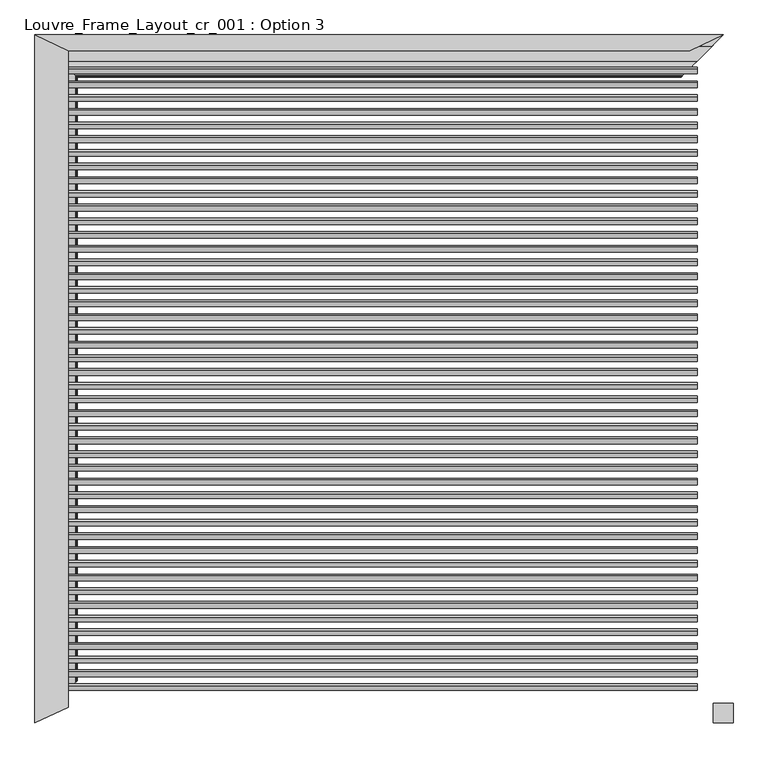
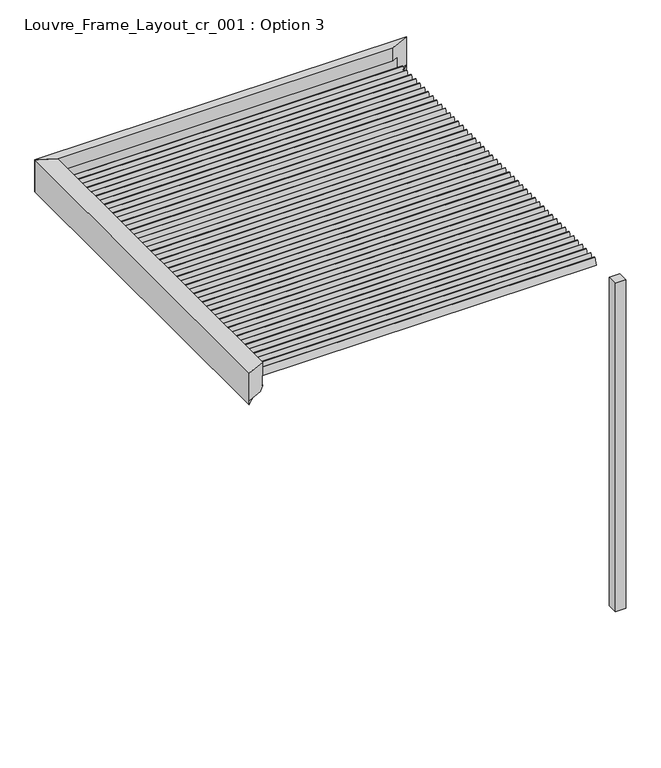
"""IFC4 building model written with IfcOpenShell, lengths in millimetres: proxy geometry, Louvre_Frame_Layout_cr_001 : Option 3."""

from ifc_helpers import new_model, si_unit, frame, origin, place, context, project, spatial, polyline, ellipse_curve, outline, extrude, source, transform, mapped, element, save
from ifc_brep_helpers import plane_surface, cylinder_surface, revolved_surface, advanced_brep


def louvre_frame_layout_cr_001_option_3_a6f6bd50(model_context):
    return source(origin(), model_context, "Body", "SolidModel", [
        extrude(outline(polyline([(50.0, -1760.0), (50.0, -1860.0), (-50.0, -1860.0), (-50.0, -1760.0), (50.0, -1760.0)])), frame((0.0, 0.0, -3270.0), z_axis=(0.0, 0.0, 1.0), x_axis=(1.0, 0.0, 0.0)), (0.0, 0.0, 1.0), 3270.0),
        extrude(outline(polyline([(0.0, 10.0), (3236.0, 10.0), (3236.0, 0.0), (0.0, 0.0), (0.0, 10.0)])), frame((-3368.0, -1624.9802792, 110.4249753), z_axis=(0.0, 0.3420201433256684, 0.9396926207859085), x_axis=(1.0, 0.0, 0.0)), (0.0, 0.0, 1.0), 70.0),
        extrude(outline(polyline([(0.0, 10.0), (3236.0, 10.0), (3236.0, 0.0), (0.0, 0.0), (0.0, 10.0)])), frame((-3368.0, -1555.2913903, 110.4249753), z_axis=(0.0, 0.3420201433256684, 0.9396926207859085), x_axis=(1.0, 0.0, 0.0)), (0.0, 0.0, 1.0), 70.0),
        extrude(outline(polyline([(0.0, 10.0000001), (3236.0, 10.0000001), (3236.0, 0.0), (0.0, 0.0), (0.0, 10.0000001)])), frame((-3368.0, -1485.6025015, 110.4249753), z_axis=(0.0, 0.3420201433256684, 0.9396926207859085), x_axis=(1.0, 0.0, 0.0)), (0.0, 0.0, 1.0), 70.0),
        extrude(outline(polyline([(0.0, 10.0), (3236.0, 10.0), (3236.0, 0.0), (0.0, 0.0), (0.0, 10.0)])), frame((-3368.0, -1415.9136126, 110.4249753), z_axis=(0.0, 0.3420201433256684, 0.9396926207859085), x_axis=(1.0, 0.0, 0.0)), (0.0, 0.0, 1.0), 70.0),
        extrude(outline(polyline([(0.0, 10.0), (3236.0, 10.0), (3236.0, 0.0), (0.0, 0.0), (0.0, 10.0)])), frame((-3368.0, -1346.2247237, 110.4249753), z_axis=(0.0, 0.3420201433256684, 0.9396926207859085), x_axis=(1.0, 0.0, 0.0)), (0.0, 0.0, 1.0), 70.0),
        extrude(outline(polyline([(0.0, 10.0), (3236.0, 10.0), (3236.0, 0.0), (0.0, 0.0), (0.0, 10.0)])), frame((-3368.0, -1276.5358348, 110.4249753), z_axis=(0.0, 0.3420201433256684, 0.9396926207859085), x_axis=(1.0, 0.0, 0.0)), (0.0, 0.0, 1.0), 70.0),
        extrude(outline(polyline([(0.0, 10.0), (3236.0, 10.0), (3236.0, 0.0), (0.0, 0.0), (0.0, 10.0)])), frame((-3368.0, -1206.8469459, 110.4249753), z_axis=(0.0, 0.3420201433256684, 0.9396926207859085), x_axis=(1.0, 0.0, 0.0)), (0.0, 0.0, 1.0), 70.0),
        extrude(outline(polyline([(0.0, 10.0), (3236.0, 10.0), (3236.0, 0.0), (0.0, 0.0), (0.0, 10.0)])), frame((-3368.0, -1137.158057, 110.4249753), z_axis=(0.0, 0.3420201433256684, 0.9396926207859085), x_axis=(1.0, 0.0, 0.0)), (0.0, 0.0, 1.0), 70.0),
        extrude(outline(polyline([(0.0, 10.0), (3236.0, 10.0), (3236.0, 0.0), (0.0, 0.0), (0.0, 10.0)])), frame((-3368.0, -1067.4691681, 110.4249753), z_axis=(0.0, 0.3420201433256684, 0.9396926207859085), x_axis=(1.0, 0.0, 0.0)), (0.0, 0.0, 1.0), 70.0),
        extrude(outline(polyline([(0.0, 10.0), (3236.0, 10.0), (3236.0, 0.0), (0.0, 0.0), (0.0, 10.0)])), frame((-3368.0, -997.7802792, 110.4249753), z_axis=(0.0, 0.3420201433256684, 0.9396926207859085), x_axis=(1.0, 0.0, 0.0)), (0.0, 0.0, 1.0), 70.0),
        extrude(outline(polyline([(0.0, 10.0), (3236.0, 10.0), (3236.0, 0.0), (0.0, 0.0), (0.0, 10.0)])), frame((-3368.0, -928.0913903, 110.4249753), z_axis=(0.0, 0.3420201433256684, 0.9396926207859085), x_axis=(1.0, 0.0, 0.0)), (0.0, 0.0, 1.0), 70.0),
        extrude(outline(polyline([(0.0, 10.0000001), (3236.0, 10.0000001), (3236.0, 0.0), (0.0, 0.0), (0.0, 10.0000001)])), frame((-3368.0, -858.4025015, 110.4249753), z_axis=(0.0, 0.3420201433256684, 0.9396926207859085), x_axis=(1.0, 0.0, 0.0)), (0.0, 0.0, 1.0), 70.0),
        extrude(outline(polyline([(0.0, 10.0), (3236.0, 10.0), (3236.0, 0.0), (0.0, 0.0), (0.0, 10.0)])), frame((-3368.0, -788.7136126, 110.4249753), z_axis=(0.0, 0.3420201433256684, 0.9396926207859085), x_axis=(1.0, 0.0, 0.0)), (0.0, 0.0, 1.0), 70.0),
        extrude(outline(polyline([(0.0, 10.0), (3236.0, 10.0), (3236.0, 0.0), (0.0, 0.0), (0.0, 10.0)])), frame((-3368.0, -719.0247237, 110.4249753), z_axis=(0.0, 0.3420201433256684, 0.9396926207859085), x_axis=(1.0, 0.0, 0.0)), (0.0, 0.0, 1.0), 70.0),
        extrude(outline(polyline([(0.0, 10.0), (3236.0, 10.0), (3236.0, 0.0), (0.0, 0.0), (0.0, 10.0)])), frame((-3368.0, -649.3358348, 110.4249753), z_axis=(0.0, 0.3420201433256684, 0.9396926207859085), x_axis=(1.0, 0.0, 0.0)), (0.0, 0.0, 1.0), 70.0),
        extrude(outline(polyline([(0.0, 10.0), (3236.0, 10.0), (3236.0, 0.0), (0.0, 0.0), (0.0, 10.0)])), frame((-3368.0, -579.6469459, 110.4249753), z_axis=(0.0, 0.3420201433256684, 0.9396926207859085), x_axis=(1.0, 0.0, 0.0)), (0.0, 0.0, 1.0), 70.0),
        extrude(outline(polyline([(0.0, 10.0), (3236.0, 10.0), (3236.0, 0.0), (0.0, 0.0), (0.0, 10.0)])), frame((-3368.0, -509.958057, 110.4249753), z_axis=(0.0, 0.3420201433256684, 0.9396926207859085), x_axis=(1.0, 0.0, 0.0)), (0.0, 0.0, 1.0), 70.0),
        extrude(outline(polyline([(0.0, 10.0), (3236.0, 10.0), (3236.0, 0.0), (0.0, 0.0), (0.0, 10.0)])), frame((-3368.0, -440.2691681, 110.4249753), z_axis=(0.0, 0.3420201433256684, 0.9396926207859085), x_axis=(1.0, 0.0, 0.0)), (0.0, 0.0, 1.0), 70.0),
        extrude(outline(polyline([(0.0, 10.0), (3236.0, 10.0), (3236.0, 0.0), (0.0, 0.0), (0.0, 10.0)])), frame((-3368.0, -370.5802792, 110.4249753), z_axis=(0.0, 0.3420201433256684, 0.9396926207859085), x_axis=(1.0, 0.0, 0.0)), (0.0, 0.0, 1.0), 70.0),
        extrude(outline(polyline([(0.0, 10.0), (3236.0, 10.0), (3236.0, 0.0), (0.0, 0.0), (0.0, 10.0)])), frame((-3368.0, -300.8913903, 110.4249753), z_axis=(0.0, 0.3420201433256684, 0.9396926207859085), x_axis=(1.0, 0.0, 0.0)), (0.0, 0.0, 1.0), 70.0),
        extrude(outline(polyline([(0.0, 10.0000001), (3236.0, 10.0000001), (3236.0, 0.0), (0.0, 0.0), (0.0, 10.0000001)])), frame((-3368.0, -231.2025015, 110.4249753), z_axis=(0.0, 0.3420201433256684, 0.9396926207859085), x_axis=(1.0, 0.0, 0.0)), (0.0, 0.0, 1.0), 70.0),
        extrude(outline(polyline([(0.0, 10.0), (3236.0, 10.0), (3236.0, 0.0), (0.0, 0.0), (0.0, 10.0)])), frame((-3368.0, -161.5136126, 110.4249753), z_axis=(0.0, 0.3420201433256684, 0.9396926207859085), x_axis=(1.0, 0.0, 0.0)), (0.0, 0.0, 1.0), 70.0),
        extrude(outline(polyline([(0.0, 10.0), (3236.0, 10.0), (3236.0, 0.0), (0.0, 0.0), (0.0, 10.0)])), frame((-3368.0, -91.8247237, 110.4249753), z_axis=(0.0, 0.3420201433256684, 0.9396926207859085), x_axis=(1.0, 0.0, 0.0)), (0.0, 0.0, 1.0), 70.0),
        extrude(outline(polyline([(0.0, 10.0), (3236.0, 10.0), (3236.0, 0.0), (0.0, 0.0), (0.0, 10.0)])), frame((-3368.0, -22.1358348, 110.4249753), z_axis=(0.0, 0.3420201433256684, 0.9396926207859085), x_axis=(1.0, 0.0, 0.0)), (0.0, 0.0, 1.0), 70.0),
        extrude(outline(polyline([(0.0, 10.0), (3236.0, 10.0), (3236.0, 0.0), (0.0, 0.0), (0.0, 10.0)])), frame((-3368.0, 47.5530541, 110.4249753), z_axis=(0.0, 0.3420201433256684, 0.9396926207859085), x_axis=(1.0, 0.0, 0.0)), (0.0, 0.0, 1.0), 70.0),
        extrude(outline(polyline([(0.0, 10.0), (3236.0, 10.0), (3236.0, 0.0), (0.0, 0.0), (0.0, 10.0)])), frame((-3368.0, 117.241943, 110.4249753), z_axis=(0.0, 0.3420201433256684, 0.9396926207859085), x_axis=(1.0, 0.0, 0.0)), (0.0, 0.0, 1.0), 70.0),
        extrude(outline(polyline([(0.0, 10.0), (3236.0, 10.0), (3236.0, 0.0), (0.0, 0.0), (0.0, 10.0)])), frame((-3368.0, 186.9308319, 110.4249753), z_axis=(0.0, 0.3420201433256684, 0.9396926207859085), x_axis=(1.0, 0.0, 0.0)), (0.0, 0.0, 1.0), 70.0),
        extrude(outline(polyline([(0.0, 10.0), (3236.0, 10.0), (3236.0, 0.0), (0.0, 0.0), (0.0, 10.0)])), frame((-3368.0, 256.6197208, 110.4249753), z_axis=(0.0, 0.3420201433256684, 0.9396926207859085), x_axis=(1.0, 0.0, 0.0)), (0.0, 0.0, 1.0), 70.0),
        extrude(outline(polyline([(0.0, 10.0), (3236.0, 10.0), (3236.0, 0.0), (0.0, 0.0), (0.0, 10.0)])), frame((-3368.0, 326.3086097, 110.4249753), z_axis=(0.0, 0.3420201433256684, 0.9396926207859085), x_axis=(1.0, 0.0, 0.0)), (0.0, 0.0, 1.0), 70.0),
        extrude(outline(polyline([(0.0, 10.0000001), (3236.0, 10.0000001), (3236.0, 0.0), (0.0, 0.0), (0.0, 10.0000001)])), frame((-3368.0, 395.9974985, 110.4249753), z_axis=(0.0, 0.3420201433256684, 0.9396926207859085), x_axis=(1.0, 0.0, 0.0)), (0.0, 0.0, 1.0), 70.0),
        extrude(outline(polyline([(0.0, 10.0), (3236.0, 10.0), (3236.0, 0.0), (0.0, 0.0), (0.0, 10.0)])), frame((-3368.0, 465.6863874, 110.4249753), z_axis=(0.0, 0.3420201433256684, 0.9396926207859085), x_axis=(1.0, 0.0, 0.0)), (0.0, 0.0, 1.0), 70.0),
        extrude(outline(polyline([(0.0, 10.0), (3236.0, 10.0), (3236.0, 0.0), (0.0, 0.0), (0.0, 10.0)])), frame((-3368.0, 535.3752763, 110.4249753), z_axis=(0.0, 0.3420201433256684, 0.9396926207859085), x_axis=(1.0, 0.0, 0.0)), (0.0, 0.0, 1.0), 70.0),
        extrude(outline(polyline([(0.0, 10.0), (3236.0, 10.0), (3236.0, 0.0), (0.0, 0.0), (0.0, 10.0)])), frame((-3368.0, 605.0641652, 110.4249753), z_axis=(0.0, 0.3420201433256684, 0.9396926207859085), x_axis=(1.0, 0.0, 0.0)), (0.0, 0.0, 1.0), 70.0),
        extrude(outline(polyline([(0.0, 10.0), (3236.0, 10.0), (3236.0, 0.0), (0.0, 0.0), (0.0, 10.0)])), frame((-3368.0, 674.7530541, 110.4249753), z_axis=(0.0, 0.3420201433256684, 0.9396926207859085), x_axis=(1.0, 0.0, 0.0)), (0.0, 0.0, 1.0), 70.0),
        extrude(outline(polyline([(0.0, 10.0), (3236.0, 10.0), (3236.0, 0.0), (0.0, 0.0), (0.0, 10.0)])), frame((-3368.0, 744.441943, 110.4249753), z_axis=(0.0, 0.3420201433256684, 0.9396926207859085), x_axis=(1.0, 0.0, 0.0)), (0.0, 0.0, 1.0), 70.0),
        extrude(outline(polyline([(0.0, 10.0), (3236.0, 10.0), (3236.0, 0.0), (0.0, 0.0), (0.0, 10.0)])), frame((-3368.0, 814.1308319, 110.4249753), z_axis=(0.0, 0.3420201433256684, 0.9396926207859085), x_axis=(1.0, 0.0, 0.0)), (0.0, 0.0, 1.0), 70.0),
        extrude(outline(polyline([(0.0, 10.0), (3236.0, 10.0), (3236.0, 0.0), (0.0, 0.0), (0.0, 10.0)])), frame((-3368.0, 883.8197208, 110.4249753), z_axis=(0.0, 0.3420201433256684, 0.9396926207859085), x_axis=(1.0, 0.0, 0.0)), (0.0, 0.0, 1.0), 70.0),
        extrude(outline(polyline([(0.0, 10.0), (3236.0, 10.0), (3236.0, 0.0), (0.0, 0.0), (0.0, 10.0)])), frame((-3368.0, 953.5086097, 110.4249753), z_axis=(0.0, 0.3420201433256684, 0.9396926207859085), x_axis=(1.0, 0.0, 0.0)), (0.0, 0.0, 1.0), 70.0),
        extrude(outline(polyline([(0.0, 10.0000001), (3236.0, 10.0000001), (3236.0, 0.0), (0.0, 0.0), (0.0, 10.0000001)])), frame((-3368.0, 1023.1974985, 110.4249753), z_axis=(0.0, 0.3420201433256684, 0.9396926207859085), x_axis=(1.0, 0.0, 0.0)), (0.0, 0.0, 1.0), 70.0),
        extrude(outline(polyline([(0.0, 10.0), (3236.0, 10.0), (3236.0, 0.0), (0.0, 0.0), (0.0, 10.0)])), frame((-3368.0, 1092.8863874, 110.4249753), z_axis=(0.0, 0.3420201433256684, 0.9396926207859085), x_axis=(1.0, 0.0, 0.0)), (0.0, 0.0, 1.0), 70.0),
        extrude(outline(polyline([(0.0, 10.0), (3236.0, 10.0), (3236.0, 0.0), (0.0, 0.0), (0.0, 10.0)])), frame((-3368.0, 1162.5752763, 110.4249753), z_axis=(0.0, 0.3420201433256684, 0.9396926207859085), x_axis=(1.0, 0.0, 0.0)), (0.0, 0.0, 1.0), 70.0),
        extrude(outline(polyline([(0.0, 10.0), (3236.0, 10.0), (3236.0, 0.0), (0.0, 0.0), (0.0, 10.0)])), frame((-3368.0, 1232.2641652, 110.4249753), z_axis=(0.0, 0.3420201433256684, 0.9396926207859085), x_axis=(1.0, 0.0, 0.0)), (0.0, 0.0, 1.0), 70.0),
        extrude(outline(polyline([(0.0, 10.0), (3236.0, 10.0), (3236.0, 0.0), (0.0, 0.0), (0.0, 10.0)])), frame((-3368.0, 1301.9530541, 110.4249753), z_axis=(0.0, 0.3420201433256684, 0.9396926207859085), x_axis=(1.0, 0.0, 0.0)), (0.0, 0.0, 1.0), 70.0),
        extrude(outline(polyline([(0.0, 10.0), (3236.0, 10.0), (3236.0, 0.0), (0.0, 0.0), (0.0, 10.0)])), frame((-3368.0, 1371.641943, 110.4249753), z_axis=(0.0, 0.3420201433256684, 0.9396926207859085), x_axis=(1.0, 0.0, 0.0)), (0.0, 0.0, 1.0), 70.0),
        extrude(outline(polyline([(0.0, 10.0), (3236.0, 10.0), (3236.0, 0.0), (0.0, 0.0), (0.0, 10.0)])), frame((-3368.0, -1694.6691681, 110.4249753), z_axis=(0.0, 0.3420201433256684, 0.9396926207859085), x_axis=(1.0, 0.0, 0.0)), (0.0, 0.0, 1.0), 70.0),
        extrude(outline(polyline([(0.0, 10.0), (3236.0, 10.0), (3236.0, 0.0), (0.0, 0.0), (0.0, 10.0)])), frame((-3368.0, 1441.3308319, 110.4249753), z_axis=(0.0, 0.3420201433256684, 0.9396926207859085), x_axis=(1.0, 0.0, 0.0)), (0.0, 0.0, 1.0), 70.0),
        advanced_brep(
        [(-3349.8942843, 1489.8942843, 0.0), (-3284.8218695, 1424.8218695, 26.1870213), (-3284.8218695, 1424.8218695, 39.3616238), (-3285.4888339, 1425.4888339, 40.0285881), (-3291.0621612, 1431.0621612, 40.0285881), (-3291.7291256, 1431.7291256, 39.3616238), (-3291.7291256, 1431.7291256, 25.5580129), (-3336.794989, 1476.794989, 7.4266447), (-3364.8199959, 1504.8199959, 2.0018958), (-3443.0005687, 1583.0005687, 2.0018958), (-3448.0054103, 1588.0054103, 7.0067374), (-3448.0054103, 1588.0054103, 36.2093165), (-3447.4216619, 1587.4216619, 36.793065), (-3444.7025891, 1584.7025891, 36.793065), (-3442.6996709, 1582.6996709, 38.7959832), (-3500.0, 1640.0, 38.8575344), (-3500.0, 1640.0, 0.0), (0.0, 1640.0, 0.0), (0.0, 1640.0, 38.8575344), (-57.2993831, 1582.7006169, 38.8575344), (-55.2974109, 1584.7025891, 36.793065), (-52.5783381, 1587.4216619, 36.793065), (-51.9945897, 1588.0054103, 36.2093165), (-51.9945897, 1588.0054103, 7.0067374), (-56.9994313, 1583.0005687, 2.0018958), (-135.1800041, 1504.8199959, 2.0018958), (-163.205011, 1476.794989, 7.4266447), (-208.2708744, 1431.7291256, 25.5580129), (-208.2708744, 1431.7291256, 39.3616238), (-208.9378388, 1431.0621612, 40.0285881), (-214.5111661, 1425.4888339, 40.0285881), (-215.1781305, 1424.8218695, 39.3616238), (-215.1781305, 1424.8218695, 26.1870213), (-150.1057157, 1489.8942843, 0.0), (-3378.3701643, 1582.7006169, 38.8575344), (-3378.3701643, 1582.6996709, 64.3212787), (-3382.6221378, 1584.7027935, 66.3244014), (-3388.3114217, 1587.3830392, 66.3244014), (-3389.6325118, 1588.0054103, 66.9467725), (-3389.6325118, 1588.0054103, 186.7535382), (-3330.2950263, 1560.0512704, 186.7535382), (-3330.2950263, 1560.0512704, 316.6276048), (-3500.0, 1640.0, 316.6276048), (-3500.0, 1640.0, 40.0285881), (-169.7049737, 1560.0512704, 316.6276048), (0.0, 1640.0, 316.6276048), (0.0, 1640.0, 40.0285881), (-121.6298357, 1582.7006169, 38.8575344), (-121.6298357, 1582.6996709, 64.3212787), (-117.3778622, 1584.7027935, 66.3244014), (-111.6885783, 1587.3830392, 66.3244014), (-110.3674882, 1588.0054103, 66.9467725), (-110.3674882, 1588.0054103, 186.7535382), (-169.7049737, 1560.0512704, 186.7535382)],
        [
            (0, 1),
            (1, 2),
            (2, 3, ellipse_curve(frame((-3285.4888339, 1425.4888339, 39.3616238), z_axis=(-0.7071067811865666, -0.7071067811865285, 0.0), x_axis=(0.7071067811865286, -0.7071067811865666, 0.0)), 0.94323, 0.6669644)),
            (3, 4),
            (4, 5, ellipse_curve(frame((-3291.0621612, 1431.0621612, 39.3616238), z_axis=(-0.7071067811865666, -0.7071067811865285, 0.0), x_axis=(0.7071067811865286, -0.7071067811865666, 0.0)), 0.94323, 0.6669644)),
            (5, 6),
            (6, 7),
            (7, 8, ellipse_curve(frame((-3364.8119854, 1504.8119854, 77.0634267), z_axis=(0.7071067811865666, 0.7071067811865285, 0.0), x_axis=(-0.7071067811865286, 0.7071067811865666, 0.0)), 106.1530357, 75.0615314)),
            (8, 9),
            (9, 10, ellipse_curve(frame((-3443.0005687, 1583.0005687, 7.0067374), z_axis=(0.7071067811865666, 0.7071067811865285, 0.0), x_axis=(-0.7071067811865286, 0.7071067811865666, 0.0)), 7.0779149, 5.0048416)),
            (10, 11),
            (11, 12, ellipse_curve(frame((-3447.4216619, 1587.4216619, 36.2093165), z_axis=(0.7071067811865666, 0.7071067811865285, 0.0), x_axis=(-0.7071067811865286, 0.7071067811865666, 0.0)), 0.825545, 0.5837485)),
            (12, 13),
            (13, 14, ellipse_curve(frame((-3444.7025891, 1584.7025891, 38.7959832), z_axis=(-0.7071067811865666, -0.7071067811865285, 0.0), x_axis=(0.7071067811865286, -0.7071067811865666, 0.0)), 2.832554, 2.0029182)),
            (14, 15),
            (15, 16),
            (16, 0),
            (17, 18),
            (18, 19),
            (19, 20, ellipse_curve(frame((-55.2974109, 1584.7025891, 38.7959832), z_axis=(0.7071067811865351, -0.7071067811865599, 0.0), x_axis=(0.7071067811865599, 0.7071067811865351, 0.0)), 2.832554, 2.0029182)),
            (20, 21),
            (21, 22, ellipse_curve(frame((-52.5783381, 1587.4216619, 36.2093165), z_axis=(-0.7071067811865351, 0.7071067811865599, 0.0), x_axis=(-0.7071067811865599, -0.7071067811865351, 0.0)), 0.825545, 0.5837485)),
            (22, 23),
            (23, 24, ellipse_curve(frame((-56.9994313, 1583.0005687, 7.0067374), z_axis=(-0.7071067811865351, 0.7071067811865599, 0.0), x_axis=(-0.7071067811865599, -0.7071067811865351, 0.0)), 7.0779149, 5.0048416)),
            (24, 25),
            (25, 26, ellipse_curve(frame((-135.1880146, 1504.8119854, 77.0634267), z_axis=(-0.7071067811865351, 0.7071067811865599, 0.0), x_axis=(-0.7071067811865599, -0.7071067811865351, 0.0)), 106.1530357, 75.0615314)),
            (26, 27),
            (27, 28),
            (28, 29, ellipse_curve(frame((-208.9378388, 1431.0621612, 39.3616238), z_axis=(0.7071067811865351, -0.7071067811865599, 0.0), x_axis=(0.7071067811865599, 0.7071067811865351, 0.0)), 0.94323, 0.6669644)),
            (29, 30),
            (30, 31, ellipse_curve(frame((-214.5111661, 1425.4888339, 39.3616238), z_axis=(0.7071067811865351, -0.7071067811865599, 0.0), x_axis=(0.7071067811865599, 0.7071067811865351, 0.0)), 0.94323, 0.6669644)),
            (31, 32),
            (32, 33),
            (33, 17),
            (14, 34),
            (34, 15),
            (34, 35),
            (35, 36, ellipse_curve(frame((-3382.6221378, 1584.7027935, 64.3212787), z_axis=(-0.426179151091085, -0.9046387849165446, 0.0), x_axis=(0.9046387849165445, -0.426179151091085, 0.0)), 4.7001892, 2.0031227)),
            (36, 37),
            (37, 38, ellipse_curve(frame((-3388.3114217, 1587.3830392, 66.9467725), z_axis=(0.426179151091085, 0.9046387849165446, 0.0), x_axis=(-0.9046387849165445, 0.426179151091085, 0.0)), 1.460351, 0.6223711)),
            (38, 39),
            (39, 40),
            (40, 41),
            (41, 42),
            (42, 43),
            (43, 15),
            (41, 44),
            (44, 45),
            (45, 42),
            (45, 46),
            (46, 18),
            (17, 16),
            (33, 0),
            (32, 1),
            (31, 2),
            (30, 3),
            (29, 4),
            (28, 5),
            (27, 6),
            (26, 7),
            (25, 8),
            (24, 9),
            (23, 10),
            (22, 11),
            (21, 12),
            (20, 13),
            (19, 47),
            (47, 34),
            (47, 48),
            (48, 35),
            (48, 49, ellipse_curve(frame((-117.3778622, 1584.7027935, 64.3212787), z_axis=(-0.4261791510912805, 0.9046387849164524, 0.0), x_axis=(0.9046387849164526, 0.4261791510912806, 0.0)), 4.7001892, 2.0031227)),
            (49, 36),
            (49, 50),
            (50, 37),
            (50, 51, ellipse_curve(frame((-111.6885783, 1587.3830392, 66.9467725), z_axis=(0.4261791510912805, -0.9046387849164524, 0.0), x_axis=(-0.9046387849164526, -0.4261791510912806, 0.0)), 1.460351, 0.6223711)),
            (51, 38),
            (51, 52),
            (52, 39),
            (52, 53),
            (53, 40),
            (53, 44),
            (18, 47),
        ],
        [
            plane_surface(frame((-3500.0, 1640.0, 40.0285881), z_axis=(-0.7071067811865666, -0.7071067811865285, 0.0), x_axis=(0.0, 0.0, -1.0))),
            plane_surface(frame((-258.0939751, 1381.9060249, 40.0285881), z_axis=(0.7071067811865351, -0.7071067811865599, 0.0), x_axis=(0.0, 0.0, -1.0))),
            plane_surface(frame((-3500.0, 1560.0512704, 38.8575344), z_axis=(0.0, 0.0, 1.0), x_axis=(1.0, 0.0, 0.0))),
            plane_surface(frame((-3500.0, 1640.0, 398.4370867), z_axis=(-0.426179151091085, -0.9046387849165446, 0.0), x_axis=(0.0, 0.0, -1.0))),
            plane_surface(frame((0.0, 1560.0512704, 316.6276048), z_axis=(0.0, 0.0, 1.0), x_axis=(-1.0, 0.0, 0.0))),
            plane_surface(frame((0.0, 1640.0, 316.6276048), z_axis=(0.0, 1.0, 0.0), x_axis=(-1.0, 0.0, 0.0))),
            plane_surface(frame((0.0, 1640.0, 0.0), z_axis=(0.0, 0.0, -1.0), x_axis=(-1.0, 0.0, 0.0))),
            plane_surface(frame((0.0, 1489.8942843, 0.0), z_axis=(0.0, -0.3733323631651337, -0.927697659053604), x_axis=(-1.0, 0.0, 0.0))),
            plane_surface(frame((0.0, 1424.8218695, 26.1870213), z_axis=(0.0, -1.0, 0.0), x_axis=(-1.0, 0.0, 0.0))),
            cylinder_surface(frame((0.0, 1425.4888339, 39.3616238), z_axis=(1.0, 0.0, 0.0), x_axis=(0.0, 1.0, 0.0)), 0.6669644),
            plane_surface(frame((0.0, 1425.4888339, 40.0285881), z_axis=(0.0, 0.0, 1.0), x_axis=(-1.0, 0.0, 0.0))),
            cylinder_surface(frame((0.0, 1431.0621612, 39.3616238), z_axis=(1.0, 0.0, 0.0), x_axis=(0.0, -1.0, 0.0)), 0.6669644),
            plane_surface(frame((0.0, 1431.7291256, 39.3616238), z_axis=(0.0, 1.0, 0.0), x_axis=(-1.0, 0.0, 0.0))),
            plane_surface(frame((0.0, 1431.7291256, 25.5580129), z_axis=(0.0, 0.37325372835204085, 0.9277293001039155), x_axis=(-1.0, 0.0, 0.0))),
            revolved_surface(polyline([(-3439.873516787006, 1429.750454, 77.0634267), (-60.12648321299102, 1429.750454, 77.0634267)]), (0.0, 1504.8119854, 77.0634267), (-1.0, 0.0, 0.0)),
            plane_surface(frame((0.0, 1504.8199959, 2.0018958), z_axis=(0.0, 0.0, 1.0), x_axis=(-1.0, 0.0, 0.0))),
            revolved_surface(polyline([(-3448.005410322451, 1577.9957271, 7.0067374), (-51.9945896775486, 1577.9957271, 7.0067374)]), (0.0, 1583.0005687, 7.0067374), (-1.0, 0.0, 0.0)),
            plane_surface(frame((0.0, 1588.0054103, 7.0067374), z_axis=(0.0, -1.0, 0.0), x_axis=(-1.0, 0.0, 0.0))),
            revolved_surface(polyline([(-3448.0054103676744, 1586.8379134, 36.2093165), (-51.994589632325344, 1586.8379134, 36.2093165)]), (0.0, 1587.4216619, 36.2093165), (-1.0, 0.0, 0.0)),
            plane_surface(frame((0.0, 1587.4216619, 36.793065), z_axis=(0.0, 0.0, -1.0), x_axis=(-1.0, 0.0, 0.0))),
            cylinder_surface(frame((0.0, 1584.7025891, 38.7959832), z_axis=(1.0, 0.0, 0.0), x_axis=(0.0, -1.0, 0.0)), 2.0029182),
            plane_surface(frame((0.0, 1582.6996709, 38.7959832), z_axis=(0.0, -1.0, 0.0), x_axis=(-1.0, 0.0, 0.0))),
            cylinder_surface(frame((0.0, 1584.7027935, 64.3212787), z_axis=(1.0, 0.0, 0.0), x_axis=(0.0, -1.0, 0.0)), 2.0031227),
            plane_surface(frame((0.0, 1584.7027935, 66.3244014), z_axis=(0.0, 0.0, 1.0), x_axis=(-1.0, 0.0, 0.0))),
            revolved_surface(polyline([(-3389.6325118541918, 1586.7606681, 66.9467725), (-110.36748814580848, 1586.7606681, 66.9467725)]), (0.0, 1587.3830392, 66.9467725), (-1.0, 0.0, 0.0)),
            plane_surface(frame((0.0, 1588.0054103, 66.9467725), z_axis=(0.0, -1.0, 0.0), x_axis=(-1.0, 0.0, 0.0))),
            plane_surface(frame((0.0, 1588.0054103, 186.7535382), z_axis=(0.0, 0.0, -1.0), x_axis=(-1.0, 0.0, 0.0))),
            plane_surface(frame((0.0, 1560.0512704, 186.7535382), z_axis=(0.0, -1.0, 0.0), x_axis=(-1.0, 0.0, 0.0))),
            plane_surface(frame((0.0, 1640.0, 38.8575344), z_axis=(0.0, 0.0, 1.0), x_axis=(-0.9046387849164524, -0.4261791510912805, 0.0))),
            plane_surface(frame((-169.7049737, 1560.0512704, 398.4370867), z_axis=(0.4261791510912805, -0.9046387849164524, 0.0), x_axis=(0.0, 0.0, -1.0))),
        ],
        [
            (0, [[1, 2, 3, 4, 5, 6, 7, 8, 9, 10, 11, 12, 13, 14, 15, 16, 17]]),
            (1, [[18, 19, 20, 21, 22, 23, 24, 25, 26, 27, 28, 29, 30, 31, 32, 33, 34]]),
            (2, [[-15, 35, 36]]),
            (3, [[37, 38, 39, 40, 41, 42, 43, 44, 45, 46, -36]]),
            (4, [[-44, 47, 48, 49]]),
            (5, [[50, 51, -18, 52, -16, -46, -45, -49]]),
            (6, [[-34, 53, -17, -52]]),
            (7, [[-53, -33, 54, -1]]),
            (8, [[-54, -32, 55, -2]]),
            (9, [[-55, -31, 56, -3]]),
            (10, [[-56, -30, 57, -4]]),
            (11, [[-57, -29, 58, -5]]),
            (12, [[-58, -28, 59, -6]]),
            (13, [[-59, -27, 60, -7]]),
            (14, [[-60, -26, 61, -8]]),
            (15, [[-61, -25, 62, -9]]),
            (16, [[-62, -24, 63, -10]]),
            (17, [[-63, -23, 64, -11]]),
            (18, [[-64, -22, 65, -12]]),
            (19, [[-65, -21, 66, -13]]),
            (20, [[-66, -20, 67, 68, -35, -14]]),
            (21, [[-68, 69, 70, -37]]),
            (22, [[-70, 71, 72, -38]]),
            (23, [[-72, 73, 74, -39]]),
            (24, [[-74, 75, 76, -40]]),
            (25, [[-76, 77, 78, -41]]),
            (26, [[-78, 79, 80, -42]]),
            (27, [[-80, 81, -47, -43]]),
            (28, [[-67, -19, 82]]),
            (29, [[-51, -50, -48, -81, -79, -77, -75, -73, -71, -69, -82]]),
        ],
    ),
        advanced_brep(
        [(-3500.0, -1860.0, 40.0285881), (-3500.0, -1860.0, 36.793065), (-3500.0, -1860.0, 0.0), (-3349.8942843, -1709.9379038, 0.0), (-3285.3886853, -1645.4510496, 25.9589183), (-3284.8218695, -1644.8843985, 26.5150991), (-3284.8218695, -1644.8843985, 39.3616238), (-3285.4888339, -1645.5511691, 40.0285881), (-3291.0621612, -1651.1228768, 40.0285881), (-3291.7291256, -1651.7896474, 39.3616238), (-3291.7291256, -1651.7896474, 25.5580129), (-3336.794989, -1696.842415, 7.4266447), (-3364.8199959, -1724.8592781, 2.0018958), (-3443.0005687, -1803.0171323, 2.0018958), (-3448.0054103, -1808.0205195, 7.0067374), (-3448.0054103, -1808.0205195, 30.0771301), (-3437.2798539, -1797.2980799, 30.0771301), (-3437.2798539, -1797.2980799, 37.2197882), (-3435.6421077, -1795.6608096, 38.8575344), (-3357.499356, -1717.5407655, 38.8575344), (-3354.7049082, -1714.7471297, 40.0285881), (-3354.7049082, 1494.7471297, 40.0285881), (-3357.499356, 1497.5407655, 38.8575344), (-3435.6421077, 1575.6608096, 38.8575344), (-3437.2798539, 1577.2980799, 37.2197882), (-3437.2798539, 1577.2980799, 30.0771301), (-3448.0054103, 1588.0205195, 30.0771301), (-3448.0054103, 1588.0205195, 7.0067374), (-3443.0005687, 1583.0171323, 2.0018958), (-3364.8199959, 1504.8592781, 2.0018958), (-3336.794989, 1476.842415, 7.4266447), (-3291.7291256, 1431.7896474, 25.5580129), (-3291.7291256, 1431.7896474, 39.3616238), (-3291.0621612, 1431.1228768, 40.0285881), (-3285.4888339, 1425.5511691, 40.0285881), (-3284.8218695, 1424.8843985, 39.3616238), (-3284.8218695, 1424.8843985, 26.5150991), (-3285.3886853, 1425.4510496, 25.9589183), (-3349.8942843, 1489.9379038, 0.0), (-3500.0, 1640.0, 0.0), (-3500.0, 1640.0, 36.793065), (-3500.0, 1640.0, 40.0285881), (-3330.2950263, 1560.0512704, 186.2985422), (-3336.7193678, 1563.0778048, 186.2985422), (-3336.7193678, 1563.0778048, 88.3970766), (-3330.3018549, 1560.0544873, 88.3970766), (-3330.3018549, 1560.0544873, 79.2796958), (-3352.0673551, 1570.3083064, 42.7736155), (-3354.7049082, 1571.5508688, 40.0285881), (-3500.0, 1640.0, 315.1230176), (-3330.2950263, 1560.0512704, 315.1230176), (-3354.7049082, -1791.5508688, 40.0285881), (-3330.2950263, -1780.0512704, 315.1230176), (-3330.2950263, -1780.0512704, 186.2985422), (-3336.7193678, -1783.0778048, 186.2985422), (-3336.7193678, -1783.0778048, 88.3970766), (-3330.3018549, -1780.0544873, 88.3970766), (-3330.3018549, -1780.0544873, 79.2796958), (-3352.0673551, -1790.3083064, 42.7736155), (-3500.0, -1860.0, 315.1230176)],
        [
            (0, 1),
            (1, 2),
            (2, 3),
            (3, 4),
            (4, 5, ellipse_curve(frame((-3285.7754513, -1645.8377032, 26.9199973), z_axis=(0.7070040190667776, -0.7072095283743168, 0.0), x_axis=(-0.7072095283743168, -0.7070040190667775, 0.0)), 1.4648884, 1.035983)),
            (5, 6),
            (6, 7, ellipse_curve(frame((-3285.4888339, -1645.5511691, 39.3616238), z_axis=(0.7070040190667776, -0.7072095283743168, 0.0), x_axis=(-0.7072095283743168, -0.7070040190667775, 0.0)), 0.943093, 0.6669644)),
            (7, 8),
            (8, 9, ellipse_curve(frame((-3291.0621612, -1651.1228768, 39.3616238), z_axis=(0.7070040190667776, -0.7072095283743168, 0.0), x_axis=(-0.7072095283743168, -0.7070040190667775, 0.0)), 0.943093, 0.6669644)),
            (9, 10),
            (10, 11),
            (11, 12, ellipse_curve(frame((-3364.8119854, -1724.85127, 77.0634267), z_axis=(-0.7070040190667776, 0.7072095283743168, 0.0), x_axis=(0.7072095283743168, 0.7070040190667775, 0.0)), 106.1376132, 75.0615314)),
            (12, 13),
            (13, 14, ellipse_curve(frame((-3443.0005687, -1803.0171323, 7.0067374), z_axis=(-0.7070040190667776, 0.7072095283743168, 0.0), x_axis=(0.7072095283743168, 0.7070040190667775, 0.0)), 7.0768866, 5.0048416)),
            (14, 15),
            (15, 16),
            (16, 17),
            (17, 18, ellipse_curve(frame((-3435.6421077, -1795.6608096, 37.2197882), z_axis=(-0.7070040190667776, 0.7072095283743168, 0.0), x_axis=(0.7072095283743168, 0.7070040190667775, 0.0)), 2.3157864, 1.6377462)),
            (18, 19),
            (19, 20, ellipse_curve(frame((-3359.3065931, -1719.3474774, 47.0897633), z_axis=(0.7070040190667776, -0.7072095283743168, 0.0), x_axis=(-0.7072095283743168, -0.7070040190667775, 0.0)), 11.917639, 8.4282679)),
            (20, 0),
            (21, 22, ellipse_curve(frame((-3359.3065931, 1499.3474775, 47.0897633), z_axis=(0.707004019064737, 0.707209528376357, 0.0), x_axis=(0.707209528376357, -0.7070040190647368, 0.0)), 11.917639, 8.4282679)),
            (22, 23),
            (23, 24, ellipse_curve(frame((-3435.6421077, 1575.6608096, 37.2197882), z_axis=(-0.707004019064737, -0.707209528376357, 0.0), x_axis=(-0.707209528376357, 0.7070040190647368, 0.0)), 2.3157864, 1.6377462)),
            (24, 25),
            (25, 26),
            (26, 27),
            (27, 28, ellipse_curve(frame((-3443.0005687, 1583.0171323, 7.0067374), z_axis=(-0.707004019064737, -0.707209528376357, 0.0), x_axis=(-0.707209528376357, 0.7070040190647368, 0.0)), 7.0768866, 5.0048416)),
            (28, 29),
            (29, 30, ellipse_curve(frame((-3364.8119854, 1504.85127, 77.0634267), z_axis=(-0.707004019064737, -0.707209528376357, 0.0), x_axis=(-0.707209528376357, 0.7070040190647368, 0.0)), 106.1376132, 75.0615314)),
            (30, 31),
            (31, 32),
            (32, 33, ellipse_curve(frame((-3291.0621612, 1431.1228768, 39.3616238), z_axis=(0.707004019064737, 0.707209528376357, 0.0), x_axis=(0.707209528376357, -0.7070040190647368, 0.0)), 0.943093, 0.6669644)),
            (33, 34),
            (34, 35, ellipse_curve(frame((-3285.4888339, 1425.5511691, 39.3616238), z_axis=(0.707004019064737, 0.707209528376357, 0.0), x_axis=(0.707209528376357, -0.7070040190647368, 0.0)), 0.943093, 0.6669644)),
            (35, 36),
            (36, 37, ellipse_curve(frame((-3285.7754513, 1425.8377032, 26.9199973), z_axis=(0.707004019064737, 0.707209528376357, 0.0), x_axis=(0.707209528376357, -0.7070040190647368, 0.0)), 1.4648884, 1.035983)),
            (37, 38),
            (38, 39),
            (39, 40),
            (40, 41),
            (41, 21),
            (42, 43),
            (43, 44),
            (44, 45),
            (45, 46),
            (46, 47),
            (47, 48, ellipse_curve(frame((-3359.3065931, 1573.718742, 47.0897633), z_axis=(0.42617915109108384, 0.9046387849165451, 0.0), x_axis=(0.9046387849165451, -0.42617915109108356, 0.0)), 9.3167218, 8.4282679)),
            (48, 41),
            (41, 49),
            (49, 50),
            (50, 42),
            (20, 51),
            (51, 0),
            (48, 21),
            (50, 52),
            (52, 53),
            (53, 42),
            (53, 54),
            (54, 43),
            (54, 55),
            (55, 44),
            (55, 56),
            (56, 45),
            (56, 57),
            (57, 46),
            (57, 58),
            (58, 47),
            (19, 22),
            (58, 51, ellipse_curve(frame((-3359.3065931, -1793.718742, 47.0897633), z_axis=(-0.42617915109110643, 0.9046387849165345, 0.0), x_axis=(-0.9046387849165346, -0.42617915109110627, 0.0)), 9.3167218, 8.4282679)),
            (18, 23),
            (17, 24),
            (16, 25),
            (15, 26),
            (14, 27),
            (13, 28),
            (12, 29),
            (11, 30),
            (10, 31),
            (9, 32),
            (8, 33),
            (7, 34),
            (6, 35),
            (5, 36),
            (4, 37),
            (3, 38),
            (2, 39),
            (0, 59),
            (59, 49),
            (59, 52),
        ],
        [
            plane_surface(frame((-3500.0, -1860.0, 40.0285881), z_axis=(0.7070040190667776, -0.7072095283743168, 0.0), x_axis=(0.0, 0.0, -1.0))),
            plane_surface(frame((-3241.9060249, 1381.9810249, 40.0285881), z_axis=(0.707004019064737, 0.707209528376357, 0.0), x_axis=(0.0, 0.0, -1.0))),
            plane_surface(frame((-3330.2950263, 1560.0512704, 355.5911694), z_axis=(0.42617915109108384, 0.9046387849165451, 0.0), x_axis=(0.0, 0.0, -1.0))),
            plane_surface(frame((-3241.9060249, -1601.9810249, 40.0285881), z_axis=(0.0, 0.0, -1.0), x_axis=(0.0, -1.0, 0.0))),
            plane_surface(frame((-3500.0, 1640.0, 40.0285881), z_axis=(0.0, 0.0, -1.0000000000000002), x_axis=(-0.707209528376357, 0.707004019064737, 0.0))),
            plane_surface(frame((-3330.2950263, -1860.0, 315.1230176), z_axis=(1.0, 0.0, 0.0), x_axis=(0.0, 1.0, 0.0))),
            plane_surface(frame((-3330.2950263, -1860.0, 186.2985422), z_axis=(0.0, 0.0, -1.0), x_axis=(0.0, 1.0, 0.0))),
            plane_surface(frame((-3336.7193678, -1860.0, 186.2985422), z_axis=(1.0, 0.0, 0.0), x_axis=(0.0, 1.0, 0.0))),
            plane_surface(frame((-3336.7193678, -1860.0, 88.3970766), z_axis=(0.0, 0.0, 1.0), x_axis=(0.0, 1.0, 0.0))),
            plane_surface(frame((-3330.3018549, -1860.0, 88.3970766), z_axis=(1.0, 0.0, 0.0), x_axis=(0.0, 1.0, 0.0))),
            plane_surface(frame((-3330.3018549, -1860.0, 79.2796958), z_axis=(0.8589235852565517, 0.0, -0.5121037733604697), x_axis=(0.0, 1.0, 0.0))),
            cylinder_surface(frame((-3359.3065931, -1860.0, 47.0897633), z_axis=(0.0, -1.0, 0.0), x_axis=(1.0, 0.0, 0.0)), 8.4282679),
            plane_surface(frame((-3357.499356, -1860.0, 38.8575344), z_axis=(0.0, 0.0, -1.0), x_axis=(0.0, 1.0, 0.0))),
            revolved_surface(polyline([(-3434.0043615, 1577.2980798999997, 37.2197882), (-3434.0043615, -1797.2980799, 37.2197882)]), (-3435.6421077, -1860.0, 37.2197882), (0.0, 1.0, 0.0)),
            plane_surface(frame((-3437.2798539, -1860.0, 37.2197882), z_axis=(1.0, 0.0, 0.0), x_axis=(0.0, 1.0, 0.0))),
            plane_surface(frame((-3437.2798539, -1860.0, 30.0771301), z_axis=(0.0, 0.0, -1.0), x_axis=(0.0, 1.0, 0.0))),
            plane_surface(frame((-3448.0054103, -1860.0, 30.0771301), z_axis=(1.0, 0.0, 0.0), x_axis=(0.0, 1.0, 0.0))),
            revolved_surface(polyline([(-3437.9957271, 1588.0205195686653, 7.0067374), (-3437.9957271, -1808.0205195686797, 7.0067374)]), (-3443.0005687, -1860.0, 7.0067374), (0.0, 1.0, 0.0)),
            plane_surface(frame((-3443.0005687, -1860.0, 2.0018958), z_axis=(0.0, 0.0, 1.0), x_axis=(0.0, 1.0, 0.0))),
            revolved_surface(polyline([(-3289.750454, 1579.8909891063386, 77.0634267), (-3289.750454, -1799.8909891065553, 77.0634267)]), (-3364.8119854, -1860.0, 77.0634267), (0.0, 1.0, 0.0)),
            plane_surface(frame((-3336.794989, -1860.0, 7.4266447), z_axis=(-0.37325372835204107, 0.0, 0.9277293001039154), x_axis=(0.0, 1.0, 0.0))),
            plane_surface(frame((-3291.7291256, -1860.0, 25.5580129), z_axis=(-1.0, 0.0, 0.0), x_axis=(0.0, 1.0, 0.0))),
            cylinder_surface(frame((-3291.0621612, -1860.0, 39.3616238), z_axis=(0.0, -1.0, 0.0), x_axis=(1.0, 0.0, 0.0)), 0.6669644),
            plane_surface(frame((-3291.0621612, -1860.0, 40.0285881), z_axis=(0.0, 0.0, 1.0), x_axis=(0.0, 1.0, 0.0))),
            cylinder_surface(frame((-3285.4888339, -1860.0, 39.3616238), z_axis=(0.0, -1.0, 0.0), x_axis=(-1.0, 0.0, 0.0)), 0.6669644),
            plane_surface(frame((-3284.8218695, -1860.0, 39.3616238), z_axis=(1.0, 0.0, 0.0), x_axis=(0.0, 1.0, 0.0))),
            cylinder_surface(frame((-3285.7754513, -1860.0, 26.9199973), z_axis=(0.0, -1.0, 0.0), x_axis=(1.0, 0.0, 0.0)), 1.035983),
            plane_surface(frame((-3285.3886853, -1860.0, 25.9589183), z_axis=(0.3733323631651337, 0.0, -0.9276976590536039), x_axis=(0.0, 1.0, 0.0))),
            plane_surface(frame((-3349.8942843, -1860.0, 0.0), z_axis=(0.0, 0.0, -1.0), x_axis=(0.0, 1.0, 0.0))),
            plane_surface(frame((-3500.0, -1860.0, 0.0), z_axis=(-1.0, 0.0, 0.0), x_axis=(0.0, 1.0, 0.0))),
            plane_surface(frame((-3500.0, -1860.0, 315.1230176), z_axis=(0.0, 0.0, 1.0), x_axis=(0.0, 1.0, 0.0))),
            plane_surface(frame((-3500.0, -1860.0, 355.5911694), z_axis=(0.42617915109110643, -0.9046387849165345, 0.0), x_axis=(0.0, 0.0, -1.0))),
        ],
        [
            (0, [[1, 2, 3, 4, 5, 6, 7, 8, 9, 10, 11, 12, 13, 14, 15, 16, 17, 18, 19, 20, 21]]),
            (1, [[22, 23, 24, 25, 26, 27, 28, 29, 30, 31, 32, 33, 34, 35, 36, 37, 38, 39, 40, 41, 42]]),
            (2, [[43, 44, 45, 46, 47, 48, 49, 50, 51, 52]]),
            (3, [[53, 54, -21]]),
            (4, [[-49, 55, -42]]),
            (5, [[56, 57, 58, -52]]),
            (6, [[-58, 59, 60, -43]]),
            (7, [[-60, 61, 62, -44]]),
            (8, [[-62, 63, 64, -45]]),
            (9, [[-64, 65, 66, -46]]),
            (10, [[-66, 67, 68, -47]]),
            (11, [[69, -22, -55, -48, -68, 70, -53, -20]]),
            (12, [[71, -23, -69, -19]]),
            (13, [[72, -24, -71, -18]]),
            (14, [[73, -25, -72, -17]]),
            (15, [[74, -26, -73, -16]]),
            (16, [[75, -27, -74, -15]]),
            (17, [[76, -28, -75, -14]]),
            (18, [[77, -29, -76, -13]]),
            (19, [[78, -30, -77, -12]]),
            (20, [[79, -31, -78, -11]]),
            (21, [[80, -32, -79, -10]]),
            (22, [[81, -33, -80, -9]]),
            (23, [[82, -34, -81, -8]]),
            (24, [[83, -35, -82, -7]]),
            (25, [[84, -36, -83, -6]]),
            (26, [[85, -37, -84, -5]]),
            (27, [[86, -38, -85, -4]]),
            (28, [[-39, -86, -3, 87]]),
            (29, [[-2, -1, 88, 89, -50, -41, -40, -87]]),
            (30, [[90, -56, -51, -89]]),
            (31, [[-90, -88, -54, -70, -67, -65, -63, -61, -59, -57]]),
        ],
    ),
    ])


if __name__ == "__main__":
    model = new_model("IFC4")
    model_context = context("Model", 3, world=origin())
    ifc_project = project(units=[si_unit("LENGTHUNIT", "METRE", prefix="MILLI")], contexts=[model_context])
    site = spatial("IfcSite", under=ifc_project)
    building = spatial("IfcBuilding", under=site)
    placement = place(None, origin())
    louvre_frame_layout_cr_001_option_3_shape = louvre_frame_layout_cr_001_option_3_a6f6bd50(model_context)
    element("IfcBuildingElementProxy", 1, Name="Louvre_Frame_Layout_cr_001 : Option 3", ObjectType="Louvre_Frame_Layout_cr_001 : Option 3", at=placement, inside=building, context=model_context, shape_type="MappedRepresentation", body=[
        mapped(louvre_frame_layout_cr_001_option_3_shape, transform((0.0, 0.0, 0.0), x_axis=(1.0, 0.0, 0.0), y_axis=(0.0, 1.0, 0.0), z_axis=(0.0, 0.0, 1.0))),
    ])
    save(model, "model.ifc")
